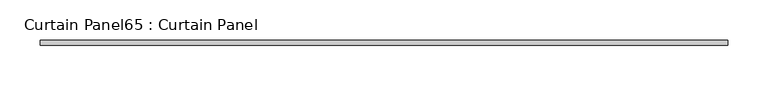
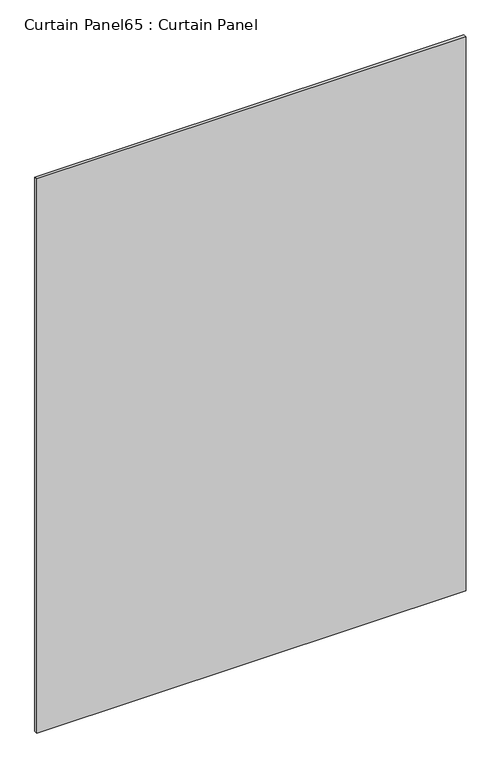
"""IFC4 building model written with IfcOpenShell, lengths in millimetres: plate geometry, Curtain Panel65 : Curtain Panel."""

from ifc_helpers import new_model, si_unit, frame, origin, place, context, project, spatial, polyline, outline, extrude, source, transform, mapped, element, save


def curtain_panel65_curtain_panel_d2c50948(model_context):
    return source(origin(), model_context, "Body", "SweptSolid", [
        extrude(outline(polyline([(-34687.2160723, 3065.0120393), (-35538.7906163, 3065.0120393), (-35538.7906163, 3071.3620393), (-34687.2160723, 3071.3620393), (-34687.2160723, 3065.0120393)])), frame((0.0, 0.0, 41.2382358), z_axis=(0.0, 0.0, 1.0), x_axis=(1.0, 0.0, 0.0)), (0.0, 0.0, 1.0), 1161.8962642),
    ])


if __name__ == "__main__":
    model = new_model("IFC4")
    model_context = context("Model", 3, world=origin())
    ifc_project = project(units=[si_unit("LENGTHUNIT", "METRE", prefix="MILLI")], contexts=[model_context])
    site = spatial("IfcSite", under=ifc_project)
    building = spatial("IfcBuilding", under=site)
    placement = place(None, origin())
    curtain_panel65_curtain_panel_shape = curtain_panel65_curtain_panel_d2c50948(model_context)
    element("IfcPlate", 1, ObjectType="Curtain Panel65 : Curtain Panel", at=placement, inside=building, context=model_context, shape_type="MappedRepresentation", body=[
        mapped(curtain_panel65_curtain_panel_shape, transform((0.0, 0.0, 0.0), x_axis=(1.0, 0.0, 0.0), y_axis=(0.0, 1.0, 0.0), z_axis=(0.0, 0.0, 1.0))),
    ])
    save(model, "model.ifc")
